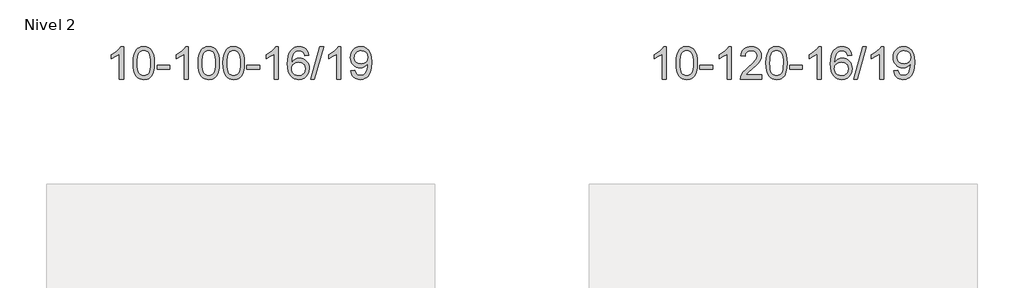
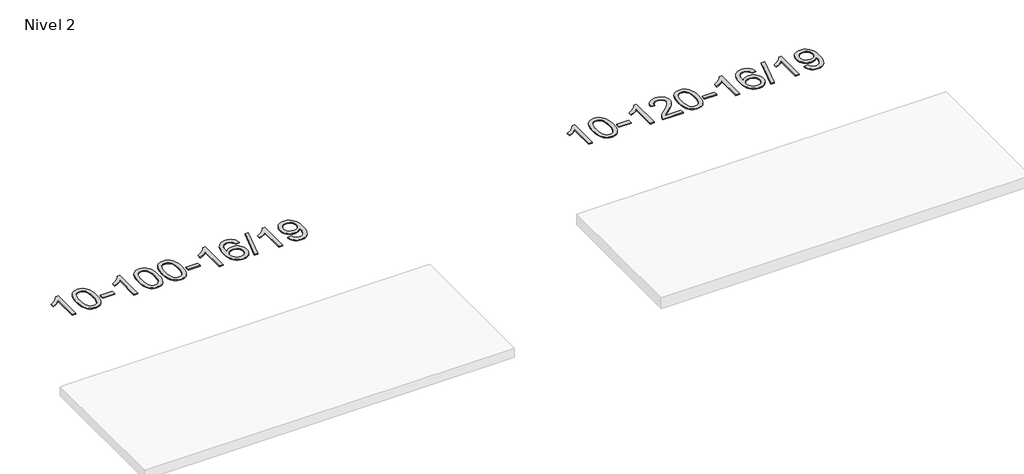
# One storey, part 17 of 51: 2 proxies.
"""IFC4 building model written with IfcOpenShell, lengths in millimetres."""

from ifc_helpers import new_model, si_unit, frame, origin, place, context, project, spatial, polyline, outline, extrude, element, save

model = new_model("IFC4")

# Units and contexts
model_context = context("Model", 3, world=origin())
ifc_project = project(units=[si_unit("LENGTHUNIT", "METRE", prefix="MILLI")], contexts=[model_context])

# Site, building, storey
site = spatial("IfcSite", under=ifc_project)
building = spatial("IfcBuilding", under=site)
storey = spatial("IfcBuildingStorey", under=building, Name="Nivel 2", Elevation=3000.0)

# Proxies
placement = place(None, origin())
element("IfcBuildingElementProxy", 1, Name="Texto de modelo 1", ObjectType="Texto de modelo 1", at=placement, inside=storey, context=model_context, shape_type="SweptSolid", body=[
    extrude(outline(polyline([(17714.5438724, -139438.9702671), (17664.3157174, -139438.9702671), (17664.3157174, -139125.8291128), (17643.3464436, -139142.7884728), (17616.7363126, -139159.7233073), (17563.8594072, -139185.0826395), (17563.8594072, -139137.6013367), (17603.3086198, -139116.1415536), (17637.4848572, -139090.6105432), (17664.4260819, -139063.4608519), (17682.1702568, -139037.1450265), (17714.5438724, -139037.1450265), (17714.5438724, -139438.9702671)])), frame((0.0, 0.0, 3000.0), z_axis=(0.0, 0.0, 1.0), x_axis=(1.0, 0.0, 0.0)), (0.0, 0.0, 1.0), 10.0),
    extrude(outline(polyline([(17833.8357407, -139241.2950084), (17837.5268234, -139176.9769729), (17848.6000715, -139125.68196), (17866.9451203, -139086.6251549), (17878.8031833, -139071.3917746), (17892.4516053, -139059.0217425), (17907.9363716, -139049.4506793), (17925.3034675, -139042.6142055), (17965.6846478, -139037.1450265), (17996.6357863, -139040.3823881), (18024.3495633, -139050.0944728), (18047.526129, -139065.9011358), (18064.8656337, -139087.4222325), (18077.9622327, -139114.4738219), (18088.4100814, -139146.871963), (18095.2526865, -139188.0134328), (18097.5335549, -139241.2950084), (18093.8792604, -139305.2451619), (18082.9163769, -139356.4175474), (18064.6816927, -139395.5111408), (18052.8512209, -139410.7905063), (18039.2119959, -139423.2249177), (18023.7088355, -139432.8603603), (18006.2865573, -139439.7428193), (17965.6846478, -139445.2487865), (17938.0199218, -139442.8575536), (17913.4944554, -139435.6838546), (17892.1082488, -139423.7276898), (17873.8613018, -139406.989059), (17856.3501188, -139376.7307649), (17843.842131, -139339.0289918), (17836.3373383, -139293.8837396), (17833.8357407, -139241.2950084)]), holes=[polyline([(17884.0638958, -139241.1969065), (17885.5354238, -139284.8614337), (17889.9500077, -139320.2056964), (17897.3076476, -139347.2296946), (17907.6083435, -139365.9334284), (17920.0672804, -139378.6590797), (17933.8996434, -139387.7488307), (17949.1054325, -139393.2026813), (17965.6846478, -139395.0206314), (17982.263863, -139393.1965499), (17997.4696522, -139387.7243052), (18011.3020152, -139378.6038974), (18023.7609521, -139365.8353265), (18034.061648, -139347.1009359), (18041.4192879, -139320.083069), (18045.8338718, -139284.7817259), (18047.3053998, -139241.1969065), (18045.8829227, -139198.688142), (18041.6154916, -139163.966213), (18034.5031064, -139137.0311196), (18024.545767, -139117.8828617), (18012.2952966, -139104.5348767), (17998.303518, -139095.0006016), (17982.5704314, -139089.2800366), (17965.0960366, -139087.3731816), (17948.6026605, -139089.0531761), (17933.6543888, -139094.0931594), (17920.2512214, -139102.4931316), (17908.3931584, -139114.2530927), (17897.749106, -139135.0997391), (17890.1462115, -139163.2059236), (17885.5844747, -139198.571646), (17884.0638958, -139241.1969065)])]), frame((0.0, 0.0, 3000.0), z_axis=(0.0, 0.0, 1.0), x_axis=(1.0, 0.0, 0.0)), (0.0, 0.0, 1.0), 10.0),
    extrude(outline(polyline([(18128.9261518, -139319.6783988), (18128.9261518, -139269.4502438), (18285.8891364, -139269.4502438), (18285.8891364, -139319.6783988), (18128.9261518, -139319.6783988)])), frame((0.0, 0.0, 3000.0), z_axis=(0.0, 0.0, 1.0), x_axis=(1.0, 0.0, 0.0)), (0.0, 0.0, 1.0), 10.0),
    extrude(outline(polyline([(18518.1943536, -139438.9702671), (18467.9661985, -139438.9702671), (18467.9661985, -139125.8291128), (18446.9969248, -139142.7884728), (18420.3867938, -139159.7233073), (18367.5098884, -139185.0826395), (18367.5098884, -139137.6013367), (18406.959101, -139116.1415536), (18441.1353384, -139090.6105432), (18468.0765631, -139063.4608519), (18485.820738, -139037.1450265), (18518.1943536, -139037.1450265), (18518.1943536, -139438.9702671)])), frame((0.0, 0.0, 3000.0), z_axis=(0.0, 0.0, 1.0), x_axis=(1.0, 0.0, 0.0)), (0.0, 0.0, 1.0), 10.0),
    extrude(outline(polyline([(18637.4862219, -139241.2950084), (18641.1773046, -139176.9769729), (18652.2505527, -139125.68196), (18670.5956015, -139086.6251549), (18682.4536645, -139071.3917746), (18696.1020865, -139059.0217425), (18711.5868528, -139049.4506793), (18728.9539487, -139042.6142055), (18769.335129, -139037.1450265), (18800.2862675, -139040.3823881), (18828.0000445, -139050.0944728), (18851.1766102, -139065.9011358), (18868.5161149, -139087.4222325), (18881.6127139, -139114.4738219), (18892.0605626, -139146.871963), (18898.9031677, -139188.0134328), (18901.1840361, -139241.2950084), (18897.5297416, -139305.2451619), (18886.5668581, -139356.4175474), (18868.3321739, -139395.5111408), (18856.5017021, -139410.7905063), (18842.8624771, -139423.2249177), (18827.3593167, -139432.8603603), (18809.9370385, -139439.7428193), (18769.335129, -139445.2487865), (18741.670403, -139442.8575536), (18717.1449366, -139435.6838546), (18695.75873, -139423.7276898), (18677.511783, -139406.989059), (18660.0006, -139376.7307649), (18647.4926122, -139339.0289918), (18639.9878195, -139293.8837396), (18637.4862219, -139241.2950084)]), holes=[polyline([(18687.714377, -139241.1969065), (18689.185905, -139284.8614337), (18693.6004889, -139320.2056964), (18700.9581288, -139347.2296946), (18711.2588247, -139365.9334284), (18723.7177616, -139378.6590797), (18737.5501246, -139387.7488307), (18752.7559137, -139393.2026813), (18769.335129, -139395.0206314), (18785.9143442, -139393.1965499), (18801.1201334, -139387.7243052), (18814.9524964, -139378.6038974), (18827.4114333, -139365.8353265), (18837.7121292, -139347.1009359), (18845.0697691, -139320.083069), (18849.484353, -139284.7817259), (18850.955881, -139241.1969065), (18849.5334039, -139198.688142), (18845.2659728, -139163.966213), (18838.1535876, -139137.0311196), (18828.1962482, -139117.8828617), (18815.9457778, -139104.5348767), (18801.9539992, -139095.0006016), (18786.2209126, -139089.2800366), (18768.7465178, -139087.3731816), (18752.2531417, -139089.0531761), (18737.3048699, -139094.0931594), (18723.9017026, -139102.4931316), (18712.0436396, -139114.2530927), (18701.3995872, -139135.0997391), (18693.7966927, -139163.2059236), (18689.2349559, -139198.571646), (18687.714377, -139241.1969065)])]), frame((0.0, 0.0, 3000.0), z_axis=(0.0, 0.0, 1.0), x_axis=(1.0, 0.0, 0.0)), (0.0, 0.0, 1.0), 10.0),
    extrude(outline(polyline([(18945.1336718, -139241.2950084), (18948.8247544, -139176.9769729), (18959.8980025, -139125.68196), (18978.2430513, -139086.6251549), (18990.1011143, -139071.3917746), (19003.7495363, -139059.0217425), (19019.2343026, -139049.4506793), (19036.6013985, -139042.6142055), (19076.9825788, -139037.1450265), (19107.9337174, -139040.3823881), (19135.6474943, -139050.0944728), (19158.82406, -139065.9011358), (19176.1635647, -139087.4222325), (19189.2601638, -139114.4738219), (19199.7080124, -139146.871963), (19206.5506175, -139188.0134328), (19208.8314859, -139241.2950084), (19205.1771914, -139305.2451619), (19194.214308, -139356.4175474), (19175.9796237, -139395.5111408), (19164.1491519, -139410.7905063), (19150.5099269, -139423.2249177), (19135.0067665, -139432.8603603), (19117.5844884, -139439.7428193), (19076.9825788, -139445.2487865), (19049.3178528, -139442.8575536), (19024.7923864, -139435.6838546), (19003.4061798, -139423.7276898), (18985.1592328, -139406.989059), (18967.6480499, -139376.7307649), (18955.140062, -139339.0289918), (18947.6352693, -139293.8837396), (18945.1336718, -139241.2950084)]), holes=[polyline([(18995.3618268, -139241.1969065), (18996.8333548, -139284.8614337), (19001.2479388, -139320.2056964), (19008.6055787, -139347.2296946), (19018.9062745, -139365.9334284), (19031.3652114, -139378.6590797), (19045.1975744, -139387.7488307), (19060.4033636, -139393.2026813), (19076.9825788, -139395.0206314), (19093.5617941, -139393.1965499), (19108.7675832, -139387.7243052), (19122.5999462, -139378.6038974), (19135.0588831, -139365.8353265), (19145.359579, -139347.1009359), (19152.7172189, -139320.083069), (19157.1318028, -139284.7817259), (19158.6033308, -139241.1969065), (19157.1808538, -139198.688142), (19152.9134226, -139163.966213), (19145.8010374, -139137.0311196), (19135.8436981, -139117.8828617), (19123.5932276, -139104.5348767), (19109.6014491, -139095.0006016), (19093.8683624, -139089.2800366), (19076.3939676, -139087.3731816), (19059.9005915, -139089.0531761), (19044.9523198, -139094.0931594), (19031.5491524, -139102.4931316), (19019.6910894, -139114.2530927), (19009.0470371, -139135.0997391), (19001.4441425, -139163.2059236), (18996.8824057, -139198.571646), (18995.3618268, -139241.1969065)])]), frame((0.0, 0.0, 3000.0), z_axis=(0.0, 0.0, 1.0), x_axis=(1.0, 0.0, 0.0)), (0.0, 0.0, 1.0), 10.0),
    extrude(outline(polyline([(19240.2240828, -139319.6783988), (19240.2240828, -139269.4502438), (19397.1870674, -139269.4502438), (19397.1870674, -139319.6783988), (19240.2240828, -139319.6783988)])), frame((0.0, 0.0, 3000.0), z_axis=(0.0, 0.0, 1.0), x_axis=(1.0, 0.0, 0.0)), (0.0, 0.0, 1.0), 10.0),
    extrude(outline(polyline([(19629.4922847, -139438.9702671), (19579.2641296, -139438.9702671), (19579.2641296, -139125.8291128), (19558.2948559, -139142.7884728), (19531.6847249, -139159.7233073), (19478.8078194, -139185.0826395), (19478.8078194, -139137.6013367), (19518.257032, -139116.1415536), (19552.4332694, -139090.6105432), (19579.3744942, -139063.4608519), (19597.1186691, -139037.1450265), (19629.4922847, -139037.1450265), (19629.4922847, -139438.9702671)])), frame((0.0, 0.0, 3000.0), z_axis=(0.0, 0.0, 1.0), x_axis=(1.0, 0.0, 0.0)), (0.0, 0.0, 1.0), 10.0),
    extrude(outline(polyline([(20006.2034477, -139143.8798561), (19955.9752926, -139150.1583755), (19947.8818887, -139125.2650271), (19936.9435308, -139108.2688789), (19914.1593725, -139092.5971059), (19886.6172738, -139087.3731816), (19863.2690299, -139090.4143394), (19841.294212, -139099.5378129), (19822.4218657, -139118.7535158), (19807.0076101, -139145.2042313), (19796.5965496, -139182.6178302), (19792.7337886, -139234.7221834), (19812.8814592, -139211.2145239), (19837.0267809, -139194.6475714), (19863.8208528, -139184.8251221), (19891.9147745, -139181.5509724), (19916.0478334, -139183.7889212), (19938.3169569, -139190.5027676), (19958.7221449, -139201.6925116), (19977.2633974, -139217.3581532), (19992.6715217, -139236.5677248), (20003.6773247, -139258.3892584), (20010.2808065, -139282.8227543), (20012.4819671, -139309.8682123), (20008.3371633, -139345.8348087), (19995.9027518, -139379.1771802), (19976.2088024, -139407.4550429), (19950.2853844, -139428.2281129), (19919.3097205, -139440.9936181), (19884.4590328, -139445.2487865), (19854.5165041, -139442.4283579), (19827.4741117, -139433.967072), (19803.3318558, -139419.8649289), (19782.0897363, -139400.1219284), (19764.7716913, -139373.9042049), (19752.4016592, -139340.3778924), (19744.97964, -139299.542991), (19742.5056336, -139251.3995005), (19745.2524858, -139197.4250805), (19753.4930425, -139151.3601233), (19767.2273036, -139113.204629), (19786.4552693, -139082.9585977), (19807.2957843, -139062.9151603), (19831.4595, -139048.5984193), (19858.9464164, -139040.0083747), (19889.7565335, -139037.1450265), (19912.8901796, -139038.9169915), (19933.8287965, -139044.2328863), (19952.5723842, -139053.092711), (19969.1209426, -139065.4964656), (19983.026882, -139081.0272172), (19993.8426127, -139099.2680328), (20001.5681346, -139120.2189124), (20006.2034477, -139143.8798561)]), holes=[polyline([(19792.7337886, -139309.0833974), (19795.6400564, -139331.3402581), (19804.3588597, -139352.5915747), (19817.8969171, -139370.8630471), (19835.2609473, -139384.1803753), (19856.2179583, -139392.3105674), (19880.5349582, -139395.0206314), (19913.6811259, -139389.4042997), (19927.5962624, -139382.3838849), (19939.7394339, -139372.5553043), (19949.5894743, -139360.3170966), (19956.6252175, -139346.0678006), (19962.253812, -139311.535944), (19956.6987939, -139278.3897762), (19949.7550212, -139264.7689454), (19940.0337395, -139253.1162832), (19927.8537798, -139243.7812775), (19913.5339731, -139237.1134164), (19878.474819, -139231.7791275), (19845.3777022, -139237.1134164), (19817.7007134, -139253.1162832), (19806.7776838, -139264.6156612), (19798.9755198, -139277.7766396), (19794.2942214, -139292.5992183), (19792.7337886, -139309.0833974)])]), frame((0.0, 0.0, 3000.0), z_axis=(0.0, 0.0, 1.0), x_axis=(1.0, 0.0, 0.0)), (0.0, 0.0, 1.0), 10.0),
    extrude(outline(polyline([(20031.3175253, -139438.9702671), (20144.3308742, -139037.1450265), (20189.653936, -139037.1450265), (20076.6405871, -139438.9702671), (20031.3175253, -139438.9702671)])), frame((0.0, 0.0, 3000.0), z_axis=(0.0, 0.0, 1.0), x_axis=(1.0, 0.0, 0.0)), (0.0, 0.0, 1.0), 10.0),
    extrude(outline(polyline([(20401.7501689, -139438.9702671), (20351.5220139, -139438.9702671), (20351.5220139, -139125.8291128), (20330.5527401, -139142.7884728), (20303.9426091, -139159.7233073), (20251.0657037, -139185.0826395), (20251.0657037, -139137.6013367), (20290.5149163, -139116.1415536), (20324.6911537, -139090.6105432), (20351.6323785, -139063.4608519), (20369.3765534, -139037.1450265), (20401.7501689, -139037.1450265), (20401.7501689, -139438.9702671)])), frame((0.0, 0.0, 3000.0), z_axis=(0.0, 0.0, 1.0), x_axis=(1.0, 0.0, 0.0)), (0.0, 0.0, 1.0), 10.0),
    extrude(outline(polyline([(20527.3205566, -139338.513957), (20577.5487117, -139332.2354376), (20586.1326249, -139360.7462922), (20600.1121407, -139380.1581988), (20619.1439026, -139391.3050233), (20642.884554, -139395.0206314), (20664.1849216, -139392.6293985), (20683.5477772, -139385.4556996), (20699.6364832, -139374.2843497), (20711.1144014, -139359.9001636), (20727.5464639, -139316.2448335), (20732.9911174, -139287.8443435), (20734.8060019, -139257.9723255), (20734.5116963, -139248.162139), (20717.1108779, -139269.4011928), (20694.3389824, -139286.2256627), (20667.839216, -139297.1885462), (20639.254785, -139300.8428407), (20615.3945719, -139298.6110232), (20593.4534766, -139291.9155709), (20573.431499, -139280.7564837), (20555.3286392, -139265.1337617), (20540.3282508, -139245.8628765), (20529.6136877, -139223.7593), (20523.1849499, -139198.8230321), (20521.0420372, -139171.0540728), (20523.2891831, -139142.3592772), (20530.0306206, -139116.6075375), (20541.2663499, -139093.7988538), (20556.9963709, -139073.9332261), (20576.1109062, -139057.8383888), (20597.5001786, -139046.3420764), (20621.1641879, -139039.444289), (20647.1029342, -139037.1450265), (20684.5655841, -139042.3934763), (20718.668245, -139058.1388257), (20747.1913624, -139083.5962598), (20767.9153815, -139117.9809636), (20780.5337339, -139165.5113174), (20784.7398514, -139230.4057013), (20780.5459966, -139299.2118972), (20767.9644324, -139352.3953709), (20747.1055233, -139392.3596183), (20733.6134511, -139408.2858431), (20718.0796338, -139421.5081351), (20700.8167712, -139431.8946701), (20682.1375629, -139439.3136237), (20640.5301093, -139445.2487865), (20617.9728116, -139443.4982814), (20597.5860177, -139438.2467659), (20579.3697276, -139429.4942401), (20563.3239412, -139417.240704), (20549.8533288, -139401.8172513), (20539.3625606, -139383.5549759), (20531.8516365, -139362.4538778), (20527.3205566, -139338.513957)]), holes=[polyline([(20734.5116963, -139169.8768504), (20729.0915682, -139135.8355031), (20722.3164082, -139121.7578854), (20712.831184, -139109.6423051), (20701.1018798, -139099.8995636), (20687.5944792, -139092.9404625), (20655.2453891, -139087.3731816), (20637.6361042, -139088.8723007), (20621.6945511, -139093.3696581), (20607.4207297, -139100.8652538), (20594.81464, -139111.3590877), (20584.5139441, -139124.2380232), (20577.1563042, -139138.8889237), (20572.7417203, -139155.3117891), (20571.2701923, -139173.5066194), (20576.8374732, -139204.5435971), (20583.7965742, -139217.6616559), (20593.5393157, -139229.179428), (20605.6610275, -139238.5573532), (20619.7570393, -139245.2558712), (20653.871963, -139250.6146856), (20685.9635357, -139245.2558712), (20711.8011145, -139229.179428), (20721.736994, -139217.4347953), (20728.8340508, -139203.6361548), (20734.5116963, -139169.8768504)])]), frame((0.0, 0.0, 3000.0), z_axis=(0.0, 0.0, 1.0), x_axis=(1.0, 0.0, 0.0)), (0.0, 0.0, 1.0), 10.0),
])
element("IfcBuildingElementProxy", 2, Name="Texto de modelo 1", ObjectType="Texto de modelo 1", at=placement, inside=storey, context=model_context, shape_type="SweptSolid", body=[
    extrude(outline(polyline([(24429.4844072, -139438.9702671), (24379.2562522, -139438.9702671), (24379.2562522, -139125.8291128), (24358.2869784, -139142.7884728), (24331.6768475, -139159.7233073), (24278.799942, -139185.0826395), (24278.799942, -139137.6013367), (24318.2491546, -139116.1415536), (24352.425392, -139090.6105432), (24379.3666168, -139063.4608519), (24397.1107917, -139037.1450265), (24429.4844072, -139037.1450265), (24429.4844072, -139438.9702671)])), frame((0.0, 0.0, 3000.0), z_axis=(0.0, 0.0, 1.0), x_axis=(1.0, 0.0, 0.0)), (0.0, 0.0, 1.0), 10.0),
    extrude(outline(polyline([(24548.7762756, -139241.2950084), (24552.4673582, -139176.9769729), (24563.5406063, -139125.68196), (24581.8856551, -139086.6251549), (24593.7437181, -139071.3917746), (24607.3921401, -139059.0217425), (24622.8769064, -139049.4506793), (24640.2440023, -139042.6142055), (24680.6251826, -139037.1450265), (24711.5763212, -139040.3823881), (24739.2900981, -139050.0944728), (24762.4666638, -139065.9011358), (24779.8061685, -139087.4222325), (24792.9027676, -139114.4738219), (24803.3506162, -139146.871963), (24810.1932213, -139188.0134328), (24812.4740897, -139241.2950084), (24808.8197952, -139305.2451619), (24797.8569118, -139356.4175474), (24779.6222275, -139395.5111408), (24767.7917557, -139410.7905063), (24754.1525307, -139423.2249177), (24738.6493703, -139432.8603603), (24721.2270922, -139439.7428193), (24680.6251826, -139445.2487865), (24652.9604566, -139442.8575536), (24628.4349902, -139435.6838546), (24607.0487836, -139423.7276898), (24588.8018366, -139406.989059), (24571.2906537, -139376.7307649), (24558.7826658, -139339.0289918), (24551.2778731, -139293.8837396), (24548.7762756, -139241.2950084)]), holes=[polyline([(24599.0044306, -139241.1969065), (24600.4759586, -139284.8614337), (24604.8905425, -139320.2056964), (24612.2481825, -139347.2296946), (24622.5488783, -139365.9334284), (24635.0078152, -139378.6590797), (24648.8401782, -139387.7488307), (24664.0459674, -139393.2026813), (24680.6251826, -139395.0206314), (24697.2043979, -139393.1965499), (24712.410187, -139387.7243052), (24726.24255, -139378.6038974), (24738.7014869, -139365.8353265), (24749.0021828, -139347.1009359), (24756.3598227, -139320.083069), (24760.7744066, -139284.7817259), (24762.2459346, -139241.1969065), (24760.8234576, -139198.688142), (24756.5560264, -139163.966213), (24749.4436412, -139137.0311196), (24739.4863019, -139117.8828617), (24727.2358314, -139104.5348767), (24713.2440529, -139095.0006016), (24697.5109662, -139089.2800366), (24680.0365714, -139087.3731816), (24663.5431953, -139089.0531761), (24648.5949236, -139094.0931594), (24635.1917562, -139102.4931316), (24623.3336932, -139114.2530927), (24612.6896408, -139135.0997391), (24605.0867463, -139163.2059236), (24600.5250095, -139198.571646), (24599.0044306, -139241.1969065)])]), frame((0.0, 0.0, 3000.0), z_axis=(0.0, 0.0, 1.0), x_axis=(1.0, 0.0, 0.0)), (0.0, 0.0, 1.0), 10.0),
    extrude(outline(polyline([(24843.8666866, -139319.6783988), (24843.8666866, -139269.4502438), (25000.8296712, -139269.4502438), (25000.8296712, -139319.6783988), (24843.8666866, -139319.6783988)])), frame((0.0, 0.0, 3000.0), z_axis=(0.0, 0.0, 1.0), x_axis=(1.0, 0.0, 0.0)), (0.0, 0.0, 1.0), 10.0),
    extrude(outline(polyline([(25233.1348884, -139438.9702671), (25182.9067334, -139438.9702671), (25182.9067334, -139125.8291128), (25161.9374596, -139142.7884728), (25135.3273287, -139159.7233073), (25082.4504232, -139185.0826395), (25082.4504232, -139137.6013367), (25121.8996358, -139116.1415536), (25156.0758732, -139090.6105432), (25183.017098, -139063.4608519), (25200.7612729, -139037.1450265), (25233.1348884, -139037.1450265), (25233.1348884, -139438.9702671)])), frame((0.0, 0.0, 3000.0), z_axis=(0.0, 0.0, 1.0), x_axis=(1.0, 0.0, 0.0)), (0.0, 0.0, 1.0), 10.0),
    extrude(outline(polyline([(25609.8460515, -139388.7421121), (25609.8460515, -139438.9702671), (25346.1482374, -139438.9702671), (25347.2518834, -139421.2874059), (25351.54384, -139404.3403087), (25363.9292005, -139377.2764565), (25382.0535201, -139351.0219448), (25408.2712436, -139323.5411598), (25444.9368158, -139292.7984877), (25499.1380964, -139244.6549973), (25531.6588648, -139209.1175966), (25547.919249, -139180.2756481), (25553.339377, -139152.2185146), (25548.2258173, -139127.0676489), (25532.8851381, -139106.1596888), (25509.3039022, -139092.0698084), (25479.4686724, -139087.3731816), (25448.1373892, -139091.9594438), (25423.7958638, -139105.7182304), (25408.0873026, -139127.570421), (25402.6549118, -139156.4368948), (25352.4267567, -139150.1583755), (25356.7463045, -139124.2288262), (25364.6036508, -139101.5734266), (25375.9987956, -139082.1921768), (25390.9317389, -139066.0850768), (25409.0591242, -139053.4238048), (25430.037595, -139044.3800391), (25453.8671512, -139038.9537797), (25480.5477929, -139037.1450265), (25507.4675579, -139039.1561148), (25531.4258729, -139045.1893795), (25552.4227377, -139055.2448207), (25570.4581526, -139069.3224384), (25584.9435061, -139086.3799002), (25595.2901872, -139105.3748739), (25601.4981959, -139126.3073594), (25603.5675321, -139149.1773568), (25601.3357147, -139173.2000511), (25594.6402624, -139196.8058124), (25582.7576739, -139220.816244), (25564.9644481, -139246.0529489), (25536.6007463, -139276.1824843), (25493.0067298, -139314.8714074), (25435.2247311, -139363.1865761), (25412.5632002, -139388.7421121), (25609.8460515, -139388.7421121)])), frame((0.0, 0.0, 3000.0), z_axis=(0.0, 0.0, 1.0), x_axis=(1.0, 0.0, 0.0)), (0.0, 0.0, 1.0), 10.0),
    extrude(outline(polyline([(25660.0742066, -139241.2950084), (25663.7652893, -139176.9769729), (25674.8385373, -139125.68196), (25693.1835861, -139086.6251549), (25705.0416491, -139071.3917746), (25718.6900711, -139059.0217425), (25734.1748375, -139049.4506793), (25751.5419333, -139042.6142055), (25791.9231137, -139037.1450265), (25822.8742522, -139040.3823881), (25850.5880292, -139050.0944728), (25873.7645948, -139065.9011358), (25891.1040996, -139087.4222325), (25904.2006986, -139114.4738219), (25914.6485472, -139146.871963), (25921.4911524, -139188.0134328), (25923.7720207, -139241.2950084), (25920.1177262, -139305.2451619), (25909.1548428, -139356.4175474), (25890.9201586, -139395.5111408), (25879.0896867, -139410.7905063), (25865.4504618, -139423.2249177), (25849.9473013, -139432.8603603), (25832.5250232, -139439.7428193), (25791.9231137, -139445.2487865), (25764.2583876, -139442.8575536), (25739.7329213, -139435.6838546), (25718.3467146, -139423.7276898), (25700.0997677, -139406.989059), (25682.5885847, -139376.7307649), (25670.0805969, -139339.0289918), (25662.5758041, -139293.8837396), (25660.0742066, -139241.2950084)]), holes=[polyline([(25710.3023617, -139241.1969065), (25711.7738896, -139284.8614337), (25716.1884736, -139320.2056964), (25723.5461135, -139347.2296946), (25733.8468093, -139365.9334284), (25746.3057463, -139378.6590797), (25760.1381093, -139387.7488307), (25775.3438984, -139393.2026813), (25791.9231137, -139395.0206314), (25808.5023289, -139393.1965499), (25823.708118, -139387.7243052), (25837.5404811, -139378.6038974), (25849.999418, -139365.8353265), (25860.3001138, -139347.1009359), (25867.6577537, -139320.083069), (25872.0723377, -139284.7817259), (25873.5438656, -139241.1969065), (25872.1213886, -139198.688142), (25867.8539575, -139163.966213), (25860.7415722, -139137.0311196), (25850.7842329, -139117.8828617), (25838.5337624, -139104.5348767), (25824.5419839, -139095.0006016), (25808.8088972, -139089.2800366), (25791.3345025, -139087.3731816), (25774.8411263, -139089.0531761), (25759.8928546, -139094.0931594), (25746.4896872, -139102.4931316), (25734.6316243, -139114.2530927), (25723.9875719, -139135.0997391), (25716.3846773, -139163.2059236), (25711.8229406, -139198.571646), (25710.3023617, -139241.1969065)])]), frame((0.0, 0.0, 3000.0), z_axis=(0.0, 0.0, 1.0), x_axis=(1.0, 0.0, 0.0)), (0.0, 0.0, 1.0), 10.0),
    extrude(outline(polyline([(25955.1646176, -139319.6783988), (25955.1646176, -139269.4502438), (26112.1276023, -139269.4502438), (26112.1276023, -139319.6783988), (25955.1646176, -139319.6783988)])), frame((0.0, 0.0, 3000.0), z_axis=(0.0, 0.0, 1.0), x_axis=(1.0, 0.0, 0.0)), (0.0, 0.0, 1.0), 10.0),
    extrude(outline(polyline([(26344.4328195, -139438.9702671), (26294.2046644, -139438.9702671), (26294.2046644, -139125.8291128), (26273.2353907, -139142.7884728), (26246.6252597, -139159.7233073), (26193.7483543, -139185.0826395), (26193.7483543, -139137.6013367), (26233.1975669, -139116.1415536), (26267.3738042, -139090.6105432), (26294.315029, -139063.4608519), (26312.0592039, -139037.1450265), (26344.4328195, -139037.1450265), (26344.4328195, -139438.9702671)])), frame((0.0, 0.0, 3000.0), z_axis=(0.0, 0.0, 1.0), x_axis=(1.0, 0.0, 0.0)), (0.0, 0.0, 1.0), 10.0),
    extrude(outline(polyline([(26721.1439825, -139143.8798561), (26670.9158275, -139150.1583755), (26662.8224236, -139125.2650271), (26651.8840656, -139108.2688789), (26629.0999073, -139092.5971059), (26601.5578086, -139087.3731816), (26578.2095647, -139090.4143394), (26556.2347468, -139099.5378129), (26537.3624005, -139118.7535158), (26521.9481449, -139145.2042313), (26511.5370844, -139182.6178302), (26507.6743235, -139234.7221834), (26527.8219941, -139211.2145239), (26551.9673157, -139194.6475714), (26578.7613877, -139184.8251221), (26606.8553094, -139181.5509724), (26630.9883683, -139183.7889212), (26653.2574917, -139190.5027676), (26673.6626797, -139201.6925116), (26692.2039323, -139217.3581532), (26707.6120565, -139236.5677248), (26718.6178595, -139258.3892584), (26725.2213413, -139282.8227543), (26727.4225019, -139309.8682123), (26723.2776981, -139345.8348087), (26710.8432867, -139379.1771802), (26691.1493372, -139407.4550429), (26665.2259193, -139428.2281129), (26634.2502553, -139440.9936181), (26599.3995676, -139445.2487865), (26569.4570389, -139442.4283579), (26542.4146465, -139433.967072), (26518.2723906, -139419.8649289), (26497.0302711, -139400.1219284), (26479.7122262, -139373.9042049), (26467.3421941, -139340.3778924), (26459.9201748, -139299.542991), (26457.4461684, -139251.3995005), (26460.1930206, -139197.4250805), (26468.4335773, -139151.3601233), (26482.1678385, -139113.204629), (26501.3958041, -139082.9585977), (26522.2363191, -139062.9151603), (26546.4000348, -139048.5984193), (26573.8869512, -139040.0083747), (26604.6970683, -139037.1450265), (26627.8307145, -139038.9169915), (26648.7693314, -139044.2328863), (26667.512919, -139053.092711), (26684.0614774, -139065.4964656), (26697.9674168, -139081.0272172), (26708.7831475, -139099.2680328), (26716.5086694, -139120.2189124), (26721.1439825, -139143.8798561)]), holes=[polyline([(26507.6743235, -139309.0833974), (26510.5805912, -139331.3402581), (26519.2993945, -139352.5915747), (26532.8374519, -139370.8630471), (26550.2014821, -139384.1803753), (26571.1584931, -139392.3105674), (26595.475493, -139395.0206314), (26628.6216608, -139389.4042997), (26642.5367972, -139382.3838849), (26654.6799687, -139372.5553043), (26664.5300092, -139360.3170966), (26671.5657523, -139346.0678006), (26677.1943468, -139311.535944), (26671.6393287, -139278.3897762), (26664.6955561, -139264.7689454), (26654.9742743, -139253.1162832), (26642.7943146, -139243.7812775), (26628.474508, -139237.1134164), (26593.4153538, -139231.7791275), (26560.318237, -139237.1134164), (26532.6412482, -139253.1162832), (26521.7182186, -139264.6156612), (26513.9160547, -139277.7766396), (26509.2347563, -139292.5992183), (26507.6743235, -139309.0833974)])]), frame((0.0, 0.0, 3000.0), z_axis=(0.0, 0.0, 1.0), x_axis=(1.0, 0.0, 0.0)), (0.0, 0.0, 1.0), 10.0),
    extrude(outline(polyline([(26746.2580601, -139438.9702671), (26859.271409, -139037.1450265), (26904.5944708, -139037.1450265), (26791.5811219, -139438.9702671), (26746.2580601, -139438.9702671)])), frame((0.0, 0.0, 3000.0), z_axis=(0.0, 0.0, 1.0), x_axis=(1.0, 0.0, 0.0)), (0.0, 0.0, 1.0), 10.0),
    extrude(outline(polyline([(27116.6907038, -139438.9702671), (27066.4625487, -139438.9702671), (27066.4625487, -139125.8291128), (27045.493275, -139142.7884728), (27018.883144, -139159.7233073), (26966.0062385, -139185.0826395), (26966.0062385, -139137.6013367), (27005.4554511, -139116.1415536), (27039.6316885, -139090.6105432), (27066.5729133, -139063.4608519), (27084.3170882, -139037.1450265), (27116.6907038, -139037.1450265), (27116.6907038, -139438.9702671)])), frame((0.0, 0.0, 3000.0), z_axis=(0.0, 0.0, 1.0), x_axis=(1.0, 0.0, 0.0)), (0.0, 0.0, 1.0), 10.0),
    extrude(outline(polyline([(27242.2610914, -139338.513957), (27292.4892465, -139332.2354376), (27301.0731597, -139360.7462922), (27315.0526756, -139380.1581988), (27334.0844374, -139391.3050233), (27357.8250889, -139395.0206314), (27379.1254564, -139392.6293985), (27398.4883121, -139385.4556996), (27414.577018, -139374.2843497), (27426.0549362, -139359.9001636), (27442.4869987, -139316.2448335), (27447.9316522, -139287.8443435), (27449.7465367, -139257.9723255), (27449.4522311, -139248.162139), (27432.0514128, -139269.4011928), (27409.2795172, -139286.2256627), (27382.7797509, -139297.1885462), (27354.1953198, -139300.8428407), (27330.3351068, -139298.6110232), (27308.3940114, -139291.9155709), (27288.3720339, -139280.7564837), (27270.269174, -139265.1337617), (27255.2687857, -139245.8628765), (27244.5542225, -139223.7593), (27238.1254847, -139198.8230321), (27235.9825721, -139171.0540728), (27238.2297179, -139142.3592772), (27244.9711555, -139116.6075375), (27256.2068847, -139093.7988538), (27271.9369057, -139073.9332261), (27291.051441, -139057.8383888), (27312.4407134, -139046.3420764), (27336.1047227, -139039.444289), (27362.0434691, -139037.1450265), (27399.5061189, -139042.3934763), (27433.6087799, -139058.1388257), (27462.1318972, -139083.5962598), (27482.8559163, -139117.9809636), (27495.4742687, -139165.5113174), (27499.6803862, -139230.4057013), (27495.4865315, -139299.2118972), (27482.9049672, -139352.3953709), (27462.0460581, -139392.3596183), (27448.5539859, -139408.2858431), (27433.0201687, -139421.5081351), (27415.757306, -139431.8946701), (27397.0780977, -139439.3136237), (27355.4706441, -139445.2487865), (27332.9133464, -139443.4982814), (27312.5265525, -139438.2467659), (27294.3102624, -139429.4942401), (27278.264476, -139417.240704), (27264.7938636, -139401.8172513), (27254.3030954, -139383.5549759), (27246.7921713, -139362.4538778), (27242.2610914, -139338.513957)]), holes=[polyline([(27449.4522311, -139169.8768504), (27444.0321031, -139135.8355031), (27437.256943, -139121.7578854), (27427.7717189, -139109.6423051), (27416.0424146, -139099.8995636), (27402.535014, -139092.9404625), (27370.1859239, -139087.3731816), (27352.5766391, -139088.8723007), (27336.6350859, -139093.3696581), (27322.3612645, -139100.8652538), (27309.7551748, -139111.3590877), (27299.454479, -139124.2380232), (27292.0968391, -139138.8889237), (27287.6822551, -139155.3117891), (27286.2107271, -139173.5066194), (27291.778008, -139204.5435971), (27298.7371091, -139217.6616559), (27308.4798506, -139229.179428), (27320.6015623, -139238.5573532), (27334.6975741, -139245.2558712), (27368.8124978, -139250.6146856), (27400.9040705, -139245.2558712), (27426.7416493, -139229.179428), (27436.6775288, -139217.4347953), (27443.7745857, -139203.6361548), (27449.4522311, -139169.8768504)])]), frame((0.0, 0.0, 3000.0), z_axis=(0.0, 0.0, 1.0), x_axis=(1.0, 0.0, 0.0)), (0.0, 0.0, 1.0), 10.0),
])

save(model, "model.ifc")
